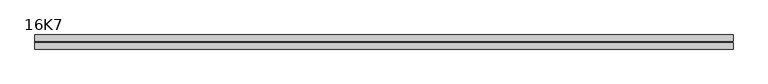
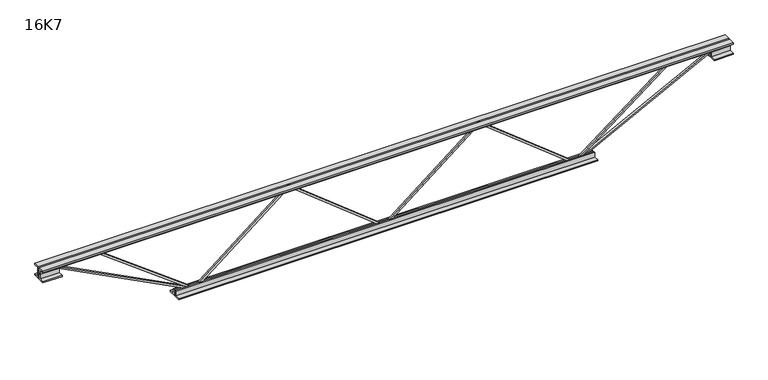
"""IFC4 building model written with IfcOpenShell, lengths in millimetres: beam geometry, 16K7."""

from ifc_helpers import new_model, si_unit, frame, origin, place, context, project, spatial, polyline, outline, extrude, source, transform, mapped, element, save


def beam_16k7_36e918e8(model_context):
    return source(origin(), model_context, "Body", "SweptSolid", [
        extrude(outline(polyline([(-191.9, 0.0), (-201.4, 0.0), (-201.4, 4.8358662), (191.9, 498.4858662), (191.9, 501.5141338), (-201.4, 995.1641338), (-201.4, 1000.0), (-191.9, 1000.0), (-191.9, 998.4858662), (201.4, 504.8358662), (201.4, 495.1641338), (-191.9, 1.5141338), (-191.9, 0.0)])), frame((0.0, -4.75, 0.0), z_axis=(0.0, 1.0, 0.0), x_axis=(0.0, 0.0, 1.0)), (0.0, 0.0, 1.0), 9.5),
        extrude(outline(polyline([(-191.9, -1000.0), (-201.4, -1000.0), (-201.4, -995.1641338), (191.9, -501.5141338), (191.9, -498.4858662), (-201.4, -4.8358662), (-201.4, 0.0), (-191.9, 0.0), (-191.9, -1.5141338), (201.4, -495.1641338), (201.4, -504.8358662), (-191.9, -998.4858662), (-191.9, -1000.0)])), frame((0.0, -4.75, 0.0), z_axis=(0.0, 1.0, 0.0), x_axis=(0.0, 0.0, 1.0)), (0.0, 0.0, 1.0), 9.5),
        extrude(outline(polyline([(4.75, 203.0), (36.75, 203.0), (36.75, 196.5), (11.25, 196.5), (11.25, 171.0), (4.75, 171.0), (4.75, 203.0)])), frame((-1812.0, 0.0, 0.0), z_axis=(1.0, 0.0, 0.0), x_axis=(0.0, 1.0, 0.0)), (0.0, 0.0, 1.0), 3624.0),
        extrude(outline(polyline([(-4.75, 203.0), (-4.75, 171.0), (-11.25, 171.0), (-11.25, 196.5), (-36.75, 196.5), (-36.75, 203.0), (-4.75, 203.0)])), frame((-1812.0, 0.0, 0.0), z_axis=(1.0, 0.0, 0.0), x_axis=(0.0, 1.0, 0.0)), (0.0, 0.0, 1.0), 3624.0),
        extrude(outline(polyline([(-4.75, 139.5), (-36.75, 139.5), (-36.75, 146.0), (-11.25, 146.0), (-11.25, 171.0), (-4.75, 171.0), (-4.75, 139.5)])), frame((-1812.0, 0.0, 0.0), z_axis=(1.0, 0.0, 0.0), x_axis=(0.0, 1.0, 0.0)), (0.0, 0.0, 1.0), 100.0),
        extrude(outline(polyline([(36.75, 139.5), (4.75, 139.5), (4.75, 171.0), (11.25, 171.0), (11.25, 146.0), (36.75, 146.0), (36.75, 139.5)])), frame((-1812.0, 0.0, 0.0), z_axis=(1.0, 0.0, 0.0), x_axis=(0.0, 1.0, 0.0)), (0.0, 0.0, 1.0), 100.0),
        extrude(outline(polyline([(4.75, 139.5), (4.75, 171.0), (11.25, 171.0), (11.25, 146.0), (36.75, 146.0), (36.75, 139.5), (4.75, 139.5)])), frame((1712.0, 0.0, 0.0), z_axis=(1.0, 0.0, 0.0), x_axis=(0.0, 1.0, 0.0)), (0.0, 0.0, 1.0), 100.0),
        extrude(outline(polyline([(-4.75, 139.5), (-36.75, 139.5), (-36.75, 146.0), (-11.25, 146.0), (-11.25, 171.0), (-4.75, 171.0), (-4.75, 139.5)])), frame((1712.0, 0.0, 0.0), z_axis=(1.0, 0.0, 0.0), x_axis=(0.0, 1.0, 0.0)), (0.0, 0.0, 1.0), 100.0),
        extrude(outline(polyline([(4.75, -203.0), (4.75, -171.0), (11.25, -171.0), (11.25, -196.5), (36.75, -196.5), (36.75, -203.0), (4.75, -203.0)])), frame((-1100.0, 0.0, 0.0), z_axis=(1.0, 0.0, 0.0), x_axis=(0.0, 1.0, 0.0)), (0.0, 0.0, 1.0), 2200.0),
        extrude(outline(polyline([(-4.75, -203.0), (-36.75, -203.0), (-36.75, -196.5), (-11.25, -196.5), (-11.25, -171.0), (-4.75, -171.0), (-4.75, -203.0)])), frame((-1100.0, 0.0, 0.0), z_axis=(1.0, 0.0, 0.0), x_axis=(0.0, 1.0, 0.0)), (0.0, 0.0, 1.0), 2200.0),
        extrude(outline(polyline([(-200.8705467, -1002.1793315), (-192.4294533, -997.8206685), (175.75, -1710.8460208), (175.75, -1812.0), (166.25, -1812.0), (166.25, -1713.1539792), (-200.8705467, -1002.1793315)])), frame((0.0, -4.75, 0.0), z_axis=(0.0, 1.0, 0.0), x_axis=(0.0, 0.0, 1.0)), (0.0, 0.0, 1.0), 9.5),
        extrude(outline(polyline([(188.7, -1519.9571429), (179.2, -1519.9571429), (179.2, -1508.8409993), (-200.449435, -1002.8507532), (-192.850565, -997.1492468), (188.7, -1505.6732864), (188.7, -1519.9571429)])), frame((0.0, -4.75, 0.0), z_axis=(0.0, 1.0, 0.0), x_axis=(0.0, 0.0, 1.0)), (0.0, 0.0, 1.0), 9.5),
        extrude(outline(polyline([(0.0, -9.5), (0.0, 0.0), (801.3179909, 0.0), (801.3179909, -9.5), (0.0, -9.5)])), frame((1714.1793315, -4.75, 166.7794533), z_axis=(-0.4588066213244957, 0.0, 0.8885361468329811), x_axis=(-0.8885361468329811, 0.0, -0.4588066213244957)), (0.0, 0.0, 1.0), 9.5),
        extrude(outline(polyline([(0.0, -9.5), (0.0, 0.0), (647.6185916, 0.0), (647.6185916, -9.5), (0.0, -9.5)])), frame((1517.3989697, -4.75, 192.876262), z_axis=(-0.6073018982053191, 0.0, 0.7944711476423901), x_axis=(-0.7944711476423901, 0.0, -0.6073018982053191)), (0.0, 0.0, 1.0), 9.5),
    ])


if __name__ == "__main__":
    model = new_model("IFC4")
    model_context = context("Model", 3, world=origin())
    ifc_project = project(units=[si_unit("LENGTHUNIT", "METRE", prefix="MILLI")], contexts=[model_context])
    site = spatial("IfcSite", under=ifc_project)
    building = spatial("IfcBuilding", under=site)
    placement = place(None, origin())
    beam_16k7_shape = beam_16k7_36e918e8(model_context)
    element("IfcBeam", 1, ObjectType="16K7", at=placement, inside=building, context=model_context, shape_type="MappedRepresentation", body=[
        mapped(beam_16k7_shape, transform((0.0, 0.0, 0.0), x_axis=(1.0, 0.0, 0.0), y_axis=(0.0, 1.0, 0.0), z_axis=(0.0, 0.0, 1.0))),
    ])
    save(model, "model.ifc")
